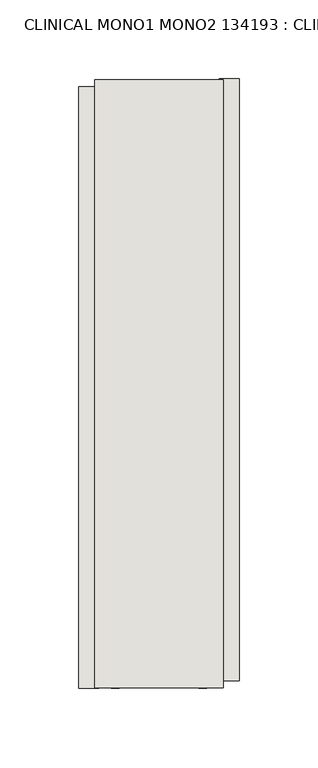
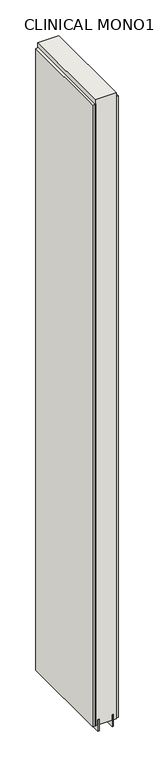
"""IFC4 building model written with IfcOpenShell, lengths in millimetres: wall geometry, CLINICAL MONO1 MONO2 134193 : CLINICAL MONO1 MONO2 134193."""

from ifc_helpers import new_model, si_unit, frame, origin, place, context, project, spatial, polyline, outline, extrude, source, transform, mapped, element, save


def clinical_mono1_mono2_134193_clinical_mono1_mono2_134193_f6556dd8(model_context):
    return source(origin(), model_context, "Body", "SweptSolid", [
        extrude(outline(polyline([(72290.342211, -46799.8832352), (72290.342211, -46797.3432352), (72292.882211, -46797.3432352), (72292.882211, -46799.8832352), (72290.342211, -46799.8832352)])), frame((0.0, 0.0, 4419.6), z_axis=(0.0, 0.0, 1.0), x_axis=(1.0, 0.0, 0.0)), (0.0, 0.0, 1.0), 2.54),
        extrude(outline(polyline([(72342.412211, -46796.8779961), (72342.412211, -47178.4215307), (72329.712211, -47178.4215307), (72329.712211, -46796.8779961), (72342.412211, -46796.8779961)])), frame((0.0, 0.0, 4445.0), z_axis=(0.0, 0.0, 1.0), x_axis=(1.0, 0.0, 0.0)), (0.0, 0.0, 1.0), 2545.0498756),
        extrude(outline(polyline([(72240.812211, -47183.3514421), (72240.812211, -46801.8079075), (72253.512211, -46801.8079075), (72253.512211, -47183.3514421), (72240.812211, -47183.3514421)])), frame((0.0, 0.0, 4445.0), z_axis=(0.0, 0.0, 1.0), x_axis=(1.0, 0.0, 0.0)), (0.0, 0.0, 1.0), 2545.0498756),
        extrude(outline(polyline([(72316.6959556, -47182.8874476), (72316.6959556, -46797.3419906), (72321.774711, -46797.3419906), (72321.774711, -47182.8874476), (72316.6959556, -47182.8874476)])), frame((0.0, 0.0, 4418.6602), z_axis=(0.0, 0.0, 1.0), x_axis=(1.0, 0.0, 0.0)), (0.0, 0.0, 1.0), 47.625),
        extrude(outline(polyline([(72316.6959556, -47182.8874476), (72316.6959556, -46797.3419906), (72321.774711, -46797.3419906), (72321.774711, -47182.8874476), (72316.6959556, -47182.8874476)])), frame((0.0, 0.0, 4418.6602), z_axis=(0.0, 0.0, 1.0), x_axis=(1.0, 0.0, 0.0)), (0.0, 0.0, 1.0), 47.625),
        extrude(outline(polyline([(72266.5284664, -46797.3419906), (72266.5284664, -47182.8874476), (72261.449711, -47182.8874476), (72261.449711, -46797.3419906), (72266.5284664, -46797.3419906)])), frame((0.0, 0.0, 4418.6602), z_axis=(0.0, 0.0, 1.0), x_axis=(1.0, 0.0, 0.0)), (0.0, 0.0, 1.0), 47.625),
        extrude(outline(polyline([(72266.5284664, -46797.3419906), (72266.5284664, -47182.8874476), (72261.449711, -47182.8874476), (72261.449711, -46797.3419906), (72266.5284664, -46797.3419906)])), frame((0.0, 0.0, 4418.6602), z_axis=(0.0, 0.0, 1.0), x_axis=(1.0, 0.0, 0.0)), (0.0, 0.0, 1.0), 47.625),
        extrude(outline(polyline([(72332.2670954, -47182.8874476), (72250.9573266, -47182.8874476), (72250.9573266, -46797.3419906), (72332.2670954, -46797.3419906), (72332.2670954, -47182.8874476)])), frame((0.0, 0.0, 4445.0), z_axis=(0.0, 0.0, 1.0), x_axis=(1.0, 0.0, 0.0)), (0.0, 0.0, 1.0), 2562.4536762),
    ])


if __name__ == "__main__":
    model = new_model("IFC4")
    model_context = context("Model", 3, world=origin())
    ifc_project = project(units=[si_unit("LENGTHUNIT", "METRE", prefix="MILLI")], contexts=[model_context])
    site = spatial("IfcSite", under=ifc_project)
    building = spatial("IfcBuilding", under=site)
    placement = place(None, origin())
    clinical_mono1_mono2_134193_clinical_mono1_mono2_134193_shape = clinical_mono1_mono2_134193_clinical_mono1_mono2_134193_f6556dd8(model_context)
    element("IfcWall", 1, ObjectType="CLINICAL MONO1 MONO2 134193 : CLINICAL MONO1 MONO2 134193", at=placement, inside=building, context=model_context, shape_type="MappedRepresentation", body=[
        mapped(clinical_mono1_mono2_134193_clinical_mono1_mono2_134193_shape, transform((0.0, 0.0, 0.0), x_axis=(1.0, 0.0, 0.0), y_axis=(0.0, 1.0, 0.0), z_axis=(0.0, 0.0, 1.0))),
    ])
    save(model, "model.ifc")
